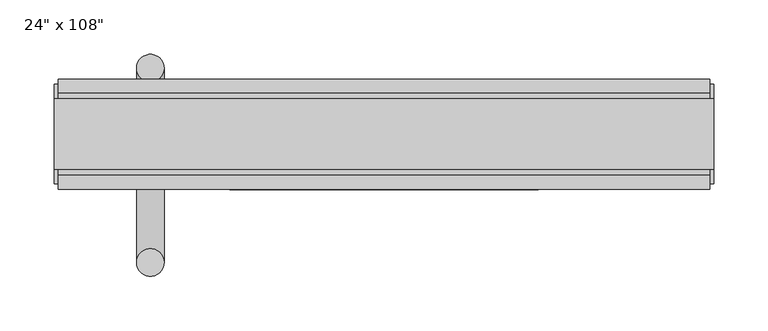
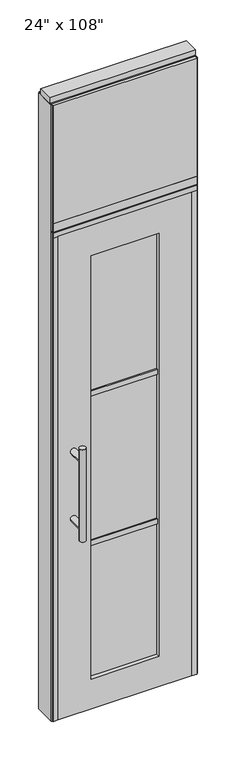
"""IFC4 building model written with IfcOpenShell, lengths in millimetres: furniture geometry."""

from ifc_helpers import new_model, si_unit, frame, origin, origin_with_axes, place, context, project, spatial, polyline, circle_curve, ellipse_curve, outline, extrude, source, transform, mapped, element, save
from ifc_brep_helpers import plane_surface, cylinder_surface, advanced_brep


def furniture_760d1f95(model_context):
    return source(origin(), model_context, "Body", "SolidModel", [
        extrude(outline(polyline([(240.8264771, -55.3177216), (-360.8995229, -55.3177216), (-360.8995229, -42.6177216), (240.8264771, -42.6177216), (240.8264771, -55.3177216)])), frame((0.0, 0.0, 2197.1), z_axis=(0.0, 0.0, 1.0), x_axis=(1.0, 0.0, 0.0)), (0.0, 0.0, 1.0), 520.7),
        extrude(outline(polyline([(240.8264771, 46.2822784), (240.8264771, 33.5822784), (-360.8995229, 33.5822784), (-360.8995229, 46.2822784), (240.8264771, 46.2822784)])), frame((0.0, 0.0, 2197.1), z_axis=(0.0, 0.0, 1.0), x_axis=(1.0, 0.0, 0.0)), (0.0, 0.0, 1.0), 520.7),
        advanced_brep(
        [(-288.6365229, 56.6962784, 1219.2), (-263.2365229, 56.6962784, 1219.2), (-288.6365229, 56.6962784, 812.8), (-263.2365229, 56.6962784, 812.8), (-263.2365229, 56.6962784, 1164.336), (-263.2365229, 56.6962784, 867.664), (-288.6365229, 56.6962784, 867.664), (-288.6365229, 56.6962784, 1164.336), (-288.6365229, -10.8677216, 1164.336), (-263.2365229, -10.8677216, 1164.336), (-288.6365229, -10.8677216, 867.664), (-263.2365229, -10.8677216, 867.664)],
        [
            (0, 1, circle_curve(frame((-275.9365229, 56.6962784, 1219.2), z_axis=(0.0, 0.0, 1.0), x_axis=(1.0, 0.0, 0.0)), 12.7)),
            (1, 0, circle_curve(frame((-275.9365229, 56.6962784, 1219.2), z_axis=(0.0, 0.0, 1.0), x_axis=(1.0, 0.0, 0.0)), 12.7)),
            (2, 3, circle_curve(frame((-275.9365229, 56.6962784, 812.8), z_axis=(0.0, 0.0, -1.0), x_axis=(1.0, 0.0, 0.0)), 12.7)),
            (3, 2, circle_curve(frame((-275.9365229, 56.6962784, 812.8), z_axis=(0.0, 0.0, -1.0), x_axis=(1.0, 0.0, 0.0)), 12.7)),
            (1, 4),
            (4, 5),
            (5, 3),
            (2, 6),
            (6, 7),
            (7, 0),
            (6, 5, ellipse_curve(frame((-275.9365229, 56.6962784, 867.664), z_axis=(0.0, 0.707106781186565, 0.70710678118653), x_axis=(0.0, -0.70710678118653, 0.707106781186565)), 17.9605122, 12.7)),
            (4, 7, ellipse_curve(frame((-275.9365229, 56.6962784, 1164.336), z_axis=(0.0, 0.70710678118653, -0.7071067811865649), x_axis=(0.0, 0.7071067811865648, 0.7071067811865301)), 17.9605122, 12.7)),
            (7, 4, ellipse_curve(frame((-275.9365229, 56.6962784, 1164.336), z_axis=(0.0, 0.707106781186565, 0.70710678118653), x_axis=(0.0, -0.70710678118653, 0.707106781186565)), 17.9605122, 12.7)),
            (5, 6, ellipse_curve(frame((-275.9365229, 56.6962784, 867.664), z_axis=(0.0, 0.70710678118653, -0.7071067811865649), x_axis=(0.0, 0.7071067811865648, 0.7071067811865301)), 17.9605122, 12.7)),
            (8, 9, circle_curve(frame((-275.9365229, -10.8677216, 1164.336), z_axis=(0.0, -1.0, 0.0), x_axis=(1.0, 0.0, 0.0)), 12.7)),
            (9, 8, circle_curve(frame((-275.9365229, -10.8677216, 1164.336), z_axis=(0.0, -1.0, 0.0), x_axis=(1.0, 0.0, 0.0)), 12.7)),
            (8, 7),
            (4, 9),
            (10, 11, circle_curve(frame((-275.9365229, -10.8677216, 867.664), z_axis=(0.0, -1.0, 0.0), x_axis=(1.0, 0.0, 0.0)), 12.7)),
            (11, 10, circle_curve(frame((-275.9365229, -10.8677216, 867.664), z_axis=(0.0, -1.0, 0.0), x_axis=(1.0, 0.0, 0.0)), 12.7)),
            (10, 6),
            (5, 11),
        ],
        [
            plane_surface(frame((-263.2365229, 56.6962784, 1219.2), z_axis=(0.0, 0.0, 1.0), x_axis=(0.0, -1.0, 0.0))),
            plane_surface(frame((-263.2365229, 56.6962784, 812.8), z_axis=(0.0, 0.0, -1.0), x_axis=(0.0, 1.0, 0.0))),
            cylinder_surface(frame((-275.9365229, 56.6962784, 812.8), z_axis=(0.0, 0.0, 1.0), x_axis=(1.0, 0.0, 0.0)), 12.7),
            plane_surface(frame((-263.2365229, -10.8677216, 1164.336), z_axis=(0.0, -1.0, 0.0), x_axis=(0.0, 0.0, -1.0))),
            cylinder_surface(frame((-275.9365229, -10.8677216, 1164.336), z_axis=(0.0, 1.0, 0.0), x_axis=(1.0, 0.0, 0.0)), 12.7),
            plane_surface(frame((-263.2365229, -10.8677216, 867.664), z_axis=(0.0, -1.0, 0.0), x_axis=(0.0, 0.0, -1.0))),
            cylinder_surface(frame((-275.9365229, -10.8677216, 867.664), z_axis=(0.0, 1.0, 0.0), x_axis=(1.0, 0.0, 0.0)), 12.7),
        ],
        [
            (0, [[1, 2]]),
            (1, [[3, 4]]),
            (2, [[5, 6, 7, -3, 8, 9, 10, -2]]),
            (2, [[-9, 11, -6, 12]]),
            (2, [[-10, 13, -5, -1]]),
            (2, [[-7, 14, -8, -4]]),
            (3, [[15, 16]]),
            (4, [[17, -12, 18, -15]]),
            (4, [[-18, -13, -17, -16]]),
            (5, [[19, 20]]),
            (6, [[21, -14, 22, -19]]),
            (6, [[-22, -11, -21, -20]]),
        ],
    ),
        advanced_brep(
        [(-288.6365229, -122.8817216, 1219.2), (-263.2365229, -122.8817216, 1219.2), (-288.6365229, -122.8817216, 812.8), (-263.2365229, -122.8817216, 812.8), (-288.6365229, -122.8817216, 1164.336), (-288.6365229, -122.8817216, 867.664), (-263.2365229, -122.8817216, 867.664), (-263.2365229, -122.8817216, 1164.336), (-288.6365229, -55.3177216, 1164.336), (-263.2365229, -55.3177216, 1164.336), (-288.6365229, -55.3177216, 867.664), (-263.2365229, -55.3177216, 867.664)],
        [
            (0, 1, circle_curve(frame((-275.9365229, -122.8817216, 1219.2), z_axis=(0.0, 0.0, 1.0), x_axis=(1.0, 0.0, 0.0)), 12.7)),
            (1, 0, circle_curve(frame((-275.9365229, -122.8817216, 1219.2), z_axis=(0.0, 0.0, 1.0), x_axis=(1.0, 0.0, 0.0)), 12.7)),
            (2, 3, circle_curve(frame((-275.9365229, -122.8817216, 812.8), z_axis=(0.0, 0.0, -1.0), x_axis=(1.0, 0.0, 0.0)), 12.7)),
            (3, 2, circle_curve(frame((-275.9365229, -122.8817216, 812.8), z_axis=(0.0, 0.0, -1.0), x_axis=(1.0, 0.0, 0.0)), 12.7)),
            (0, 4),
            (4, 5),
            (5, 2),
            (3, 6),
            (6, 7),
            (7, 1),
            (7, 4, ellipse_curve(frame((-275.9365229, -122.8817216, 1164.336), z_axis=(0.0, -0.707106781186565, 0.70710678118653), x_axis=(0.0, 0.70710678118653, 0.707106781186565)), 17.9605122, 12.7)),
            (5, 6, ellipse_curve(frame((-275.9365229, -122.8817216, 867.664), z_axis=(0.0, -0.70710678118653, -0.7071067811865649), x_axis=(0.0, -0.7071067811865648, 0.7071067811865301)), 17.9605122, 12.7)),
            (4, 7, ellipse_curve(frame((-275.9365229, -122.8817216, 1164.336), z_axis=(0.0, -0.70710678118653, -0.7071067811865649), x_axis=(0.0, -0.7071067811865648, 0.7071067811865301)), 17.9605122, 12.7)),
            (6, 5, ellipse_curve(frame((-275.9365229, -122.8817216, 867.664), z_axis=(0.0, -0.707106781186565, 0.70710678118653), x_axis=(0.0, 0.70710678118653, 0.707106781186565)), 17.9605122, 12.7)),
            (8, 9, circle_curve(frame((-275.9365229, -55.3177216, 1164.336), z_axis=(0.0, 1.0, 0.0), x_axis=(1.0, 0.0, 0.0)), 12.7)),
            (9, 8, circle_curve(frame((-275.9365229, -55.3177216, 1164.336), z_axis=(0.0, 1.0, 0.0), x_axis=(1.0, 0.0, 0.0)), 12.7)),
            (9, 7),
            (4, 8),
            (10, 11, circle_curve(frame((-275.9365229, -55.3177216, 867.664), z_axis=(0.0, 1.0, 0.0), x_axis=(1.0, 0.0, 0.0)), 12.7)),
            (11, 10, circle_curve(frame((-275.9365229, -55.3177216, 867.664), z_axis=(0.0, 1.0, 0.0), x_axis=(1.0, 0.0, 0.0)), 12.7)),
            (11, 6),
            (5, 10),
        ],
        [
            plane_surface(frame((-263.2365229, -122.8817216, 1219.2), z_axis=(0.0, 0.0, 1.0), x_axis=(0.0, 1.0, 0.0))),
            plane_surface(frame((-263.2365229, -122.8817216, 812.8), z_axis=(0.0, 0.0, -1.0), x_axis=(0.0, -1.0, 0.0))),
            cylinder_surface(frame((-275.9365229, -122.8817216, 812.8), z_axis=(0.0, 0.0, 1.0), x_axis=(1.0, 0.0, 0.0)), 12.7),
            plane_surface(frame((-263.2365229, -55.3177216, 1164.336), z_axis=(0.0, 1.0, 0.0), x_axis=(0.0, 0.0, -1.0))),
            cylinder_surface(frame((-275.9365229, -55.3177216, 1164.336), z_axis=(0.0, -1.0, 0.0), x_axis=(1.0, 0.0, 0.0)), 12.7),
            plane_surface(frame((-263.2365229, -55.3177216, 867.664), z_axis=(0.0, 1.0, 0.0), x_axis=(0.0, 0.0, -1.0))),
            cylinder_surface(frame((-275.9365229, -55.3177216, 867.664), z_axis=(0.0, -1.0, 0.0), x_axis=(1.0, 0.0, 0.0)), 12.7),
        ],
        [
            (0, [[1, 2]]),
            (1, [[3, 4]]),
            (2, [[-1, 5, 6, 7, -4, 8, 9, 10]]),
            (2, [[-2, -10, 11, -5]]),
            (2, [[-3, -7, 12, -8]]),
            (2, [[13, -9, 14, -6]]),
            (3, [[15, 16]]),
            (4, [[-16, 17, -13, 18]]),
            (4, [[-15, -18, -11, -17]]),
            (5, [[19, 20]]),
            (6, [[-20, 21, -12, 22]]),
            (6, [[-19, -22, -14, -21]]),
        ],
    ),
        extrude(outline(polyline([(-202.6575229, -44.2052216), (-202.6575229, -21.9802216), (82.5844771, -21.9802216), (82.5844771, -44.2052216), (-202.6575229, -44.2052216)])), frame((0.0, 0.0, 1371.6), z_axis=(0.0, 0.0, 1.0), x_axis=(1.0, 0.0, 0.0)), (0.0, 0.0, 1.0), 22.225),
        extrude(outline(polyline([(-202.6575229, -44.2052216), (-202.6575229, -21.9802216), (82.5844771, -21.9802216), (82.5844771, -44.2052216), (-202.6575229, -44.2052216)])), frame((0.0, 0.0, 711.2), z_axis=(0.0, 0.0, 1.0), x_axis=(1.0, 0.0, 0.0)), (0.0, 0.0, 1.0), 22.225),
        extrude(outline(polyline([(82.5844771, -38.1727216), (-202.6575229, -38.1727216), (-202.6575229, -28.0127216), (82.5844771, -28.0127216), (82.5844771, -38.1727216)])), frame((0.0, 0.0, 132.969), z_axis=(0.0, 0.0, 1.0), x_axis=(1.0, 0.0, 0.0)), (0.0, 0.0, 1.0), 1867.662),
        extrude(outline(polyline([(2133.6, 218.6014771), (2133.6, -338.6745229), (0.0, -338.6745229), (0.0, 218.6014771), (2133.6, 218.6014771)]), holes=[polyline([(2000.631, 82.5844771), (132.969, 82.5844771), (132.969, -202.6575229), (2000.631, -202.6575229), (2000.631, 82.5844771)])]), frame((0.0, -55.3177216, 0.0), z_axis=(0.0, 1.0, 0.0), x_axis=(0.0, 0.0, 1.0)), (0.0, 0.0, 1.0), 44.45),
        extrude(outline(polyline([(-42.6177216, 2681.478), (-42.6177216, 2717.8), (33.5822784, 2717.8), (33.5822784, 2681.478), (28.6292784, 2681.478), (28.6292784, 2676.525), (-37.6647216, 2676.525), (-37.6647216, 2681.478), (-42.6177216, 2681.478)])), frame((-360.8995229, 0.0, 0.0), z_axis=(1.0, 0.0, 0.0), x_axis=(0.0, 1.0, 0.0)), (0.0, 0.0, 1.0), 601.726),
        extrude(outline(polyline([(-360.8995229, -55.3177216), (-360.8995229, 46.2822784), (240.8264771, 46.2822784), (240.8264771, -55.3177216), (-360.8995229, -55.3177216)])), frame((0.0, 0.0, 2133.6), z_axis=(0.0, 0.0, 1.0), x_axis=(1.0, 0.0, 0.0)), (0.0, 0.0, 1.0), 22.225),
        extrude(outline(polyline([(-55.3177216, 2160.778), (-55.3177216, 2197.1), (46.2822784, 2197.1), (46.2822784, 2160.778), (41.3292784, 2160.778), (41.3292784, 2155.825), (-50.3647216, 2155.825), (-50.3647216, 2160.778), (-55.3177216, 2160.778)])), frame((-360.8995229, 0.0, 0.0), z_axis=(1.0, 0.0, 0.0), x_axis=(0.0, 1.0, 0.0)), (0.0, 0.0, 1.0), 601.726),
        extrude(outline(polyline([(244.7634771, -50.3647216), (240.8264771, -50.3647216), (240.8264771, 41.3292784), (244.7634771, 41.3292784), (244.7634771, -50.3647216)])), origin_with_axes(), (0.0, 0.0, 1.0), 2717.8),
        extrude(outline(polyline([(-364.8365229, -50.3647216), (-364.8365229, 41.3292784), (-360.8995229, 41.3292784), (-360.8995229, -50.3647216), (-364.8365229, -50.3647216)])), origin_with_axes(), (0.0, 0.0, 1.0), 2717.8),
        extrude(outline(polyline([(218.6014771, -55.3177216), (218.6014771, 46.2822784), (240.8264771, 46.2822784), (240.8264771, -55.3177216), (218.6014771, -55.3177216)])), origin_with_axes(), (0.0, 0.0, 1.0), 2133.6),
        extrude(outline(polyline([(-338.6745229, -55.3177216), (-360.8995229, -55.3177216), (-360.8995229, 46.2822784), (-338.6745229, 46.2822784), (-338.6745229, -55.3177216)])), origin_with_axes(), (0.0, 0.0, 1.0), 2133.6),
        extrude(outline(polyline([(-364.8365229, -37.0297216), (-364.8365229, 27.9942784), (244.7634771, 27.9942784), (244.7634771, -37.0297216), (-364.8365229, -37.0297216)])), frame((0.0, 0.0, 2717.8), z_axis=(0.0, 0.0, 1.0), x_axis=(1.0, 0.0, 0.0)), (0.0, 0.0, 1.0), 25.4),
    ])


if __name__ == "__main__":
    model = new_model("IFC4")
    model_context = context("Model", 3, world=origin())
    ifc_project = project(units=[si_unit("LENGTHUNIT", "METRE", prefix="MILLI")], contexts=[model_context])
    site = spatial("IfcSite", under=ifc_project)
    building = spatial("IfcBuilding", under=site)
    placement = place(None, origin())
    furniture_shape = furniture_760d1f95(model_context)
    element("IfcFurniture", 1, ObjectType="24\" x 108\"", at=placement, inside=building, context=model_context, shape_type="MappedRepresentation", body=[
        mapped(furniture_shape, transform((0.0, 0.0, 0.0), x_axis=(1.0, 0.0, 0.0), y_axis=(0.0, 1.0, 0.0), z_axis=(0.0, 0.0, 1.0))),
    ])
    save(model, "model.ifc")
